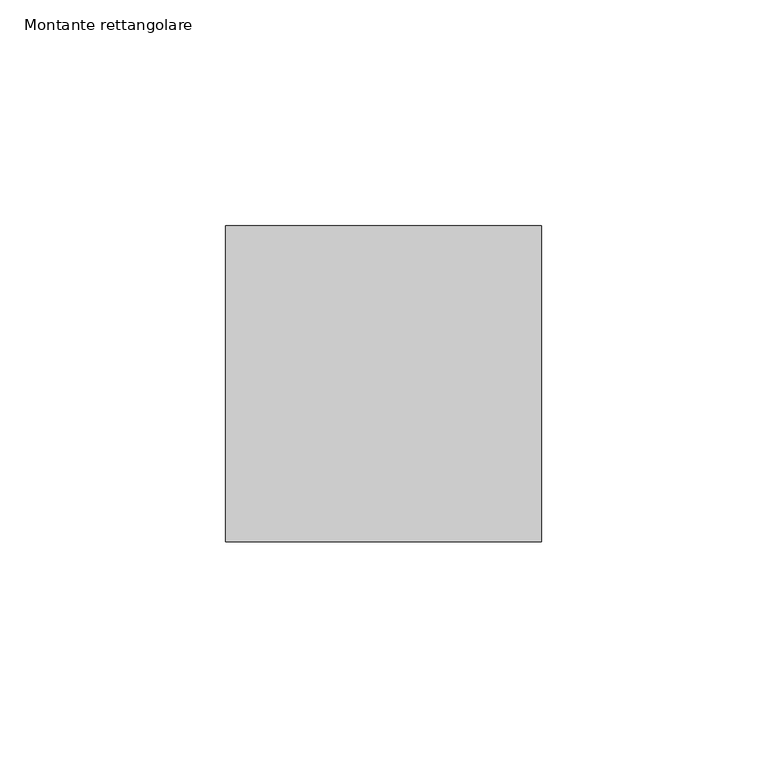
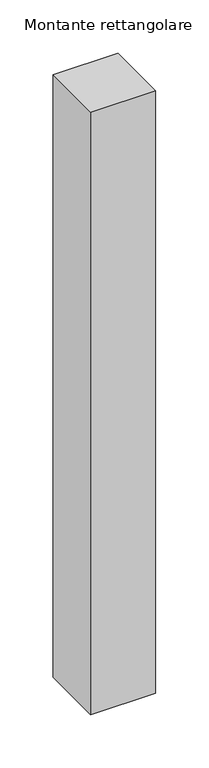
"""IFC4 building model written with IfcOpenShell, lengths in millimetres: member geometry, Montante rettangolare."""

from ifc_helpers import new_model, si_unit, frame, origin, place, context, project, spatial, polyline, outline, extrude, source, transform, mapped, element, save


def montante_rettangolare_52f0fdcc(model_context):
    return source(origin(), model_context, "Body", "SweptSolid", [
        extrude(outline(polyline([(0.0, 35.0), (0.0, -35.0), (-70.0, -35.0), (-70.0, 35.0), (0.0, 35.0)])), frame((0.0, 0.0, -687.8813849), z_axis=(0.0, 0.0, 1.0), x_axis=(1.0, 0.0, 0.0)), (0.0, 0.0, 1.0), 687.8813849),
    ])


if __name__ == "__main__":
    model = new_model("IFC4")
    model_context = context("Model", 3, world=origin())
    ifc_project = project(units=[si_unit("LENGTHUNIT", "METRE", prefix="MILLI")], contexts=[model_context])
    site = spatial("IfcSite", under=ifc_project)
    building = spatial("IfcBuilding", under=site)
    placement = place(None, origin())
    montante_rettangolare_shape = montante_rettangolare_52f0fdcc(model_context)
    element("IfcMember", 1, ObjectType="Montante rettangolare", at=placement, inside=building, context=model_context, shape_type="MappedRepresentation", body=[
        mapped(montante_rettangolare_shape, transform((0.0, 0.0, 0.0), x_axis=(1.0, 0.0, 0.0), y_axis=(0.0, 1.0, 0.0), z_axis=(0.0, 0.0, 1.0))),
    ])
    save(model, "model.ifc")
